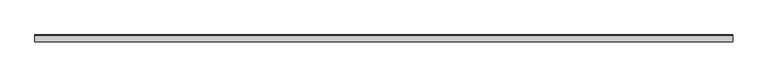
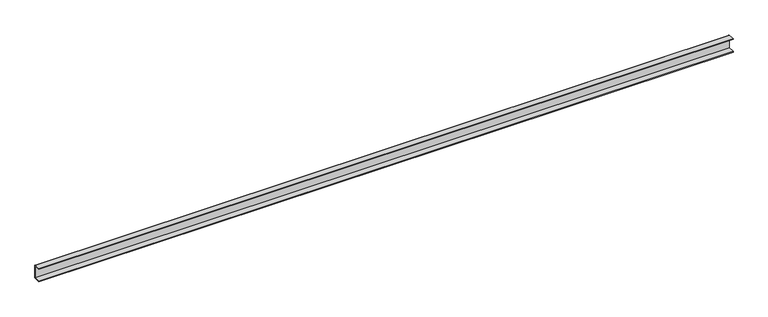
"""IFC4 building model written with IfcOpenShell, lengths in millimetres: proxy geometry."""

from ifc_helpers import new_model, si_unit, point, frame, frame_2d, origin, place, context, project, spatial, polyline, circle_curve, trimmed, segment, composite_curve, outline, extrude, source, transform, mapped, element, save


def mechanical_equipment_cf982a1e(model_context):
    return source(origin(), model_context, "Body", "SweptSolid", [
        extrude(outline(composite_curve([segment(polyline([(-10.0, 38.4), (-10.0, 40.0), (8.4, 40.0)]), True, "CONTINUOUS"), segment(trimmed(circle_curve(frame_2d((8.4, 38.4)), 1.6), [point((8.4, 40.0))], [point((10.0, 38.4))], False, "CARTESIAN"), True, "CONTINUOUS"), segment(polyline([(10.0, 38.4), (10.0, 1.6)]), True, "CONTINUOUS"), segment(trimmed(circle_curve(frame_2d((8.4, 1.6)), 1.6), [point((10.0, 1.6))], [point((8.4, 0.0))], False, "CARTESIAN"), True, "CONTINUOUS"), segment(polyline([(8.4, 0.0), (-10.0, 0.0), (-10.0, 1.6), (8.4, 1.6), (8.4, 38.4), (-10.0, 38.4)]), True, "CONTINUOUS")], self_intersect=False)), frame((0.0, 0.0, 0.0), z_axis=(1.0, 0.0, 0.0), x_axis=(0.0, 1.0, 0.0)), (0.0, 0.0, 1.0), 2000.0),
    ])


if __name__ == "__main__":
    model = new_model("IFC4")
    model_context = context("Model", 3, world=origin())
    ifc_project = project(units=[si_unit("LENGTHUNIT", "METRE", prefix="MILLI")], contexts=[model_context])
    site = spatial("IfcSite", under=ifc_project)
    building = spatial("IfcBuilding", under=site)
    placement = place(None, origin())
    mechanical_equipment_shape = mechanical_equipment_cf982a1e(model_context)
    element("IfcBuildingElementProxy", 1, Name="Mechanical Equipment", at=placement, inside=building, context=model_context, shape_type="MappedRepresentation", body=[
        mapped(mechanical_equipment_shape, transform((0.0, 0.0, 0.0), x_axis=(1.0, 0.0, 0.0), y_axis=(0.0, 1.0, 0.0), z_axis=(0.0, 0.0, 1.0))),
    ])
    save(model, "model.ifc")
